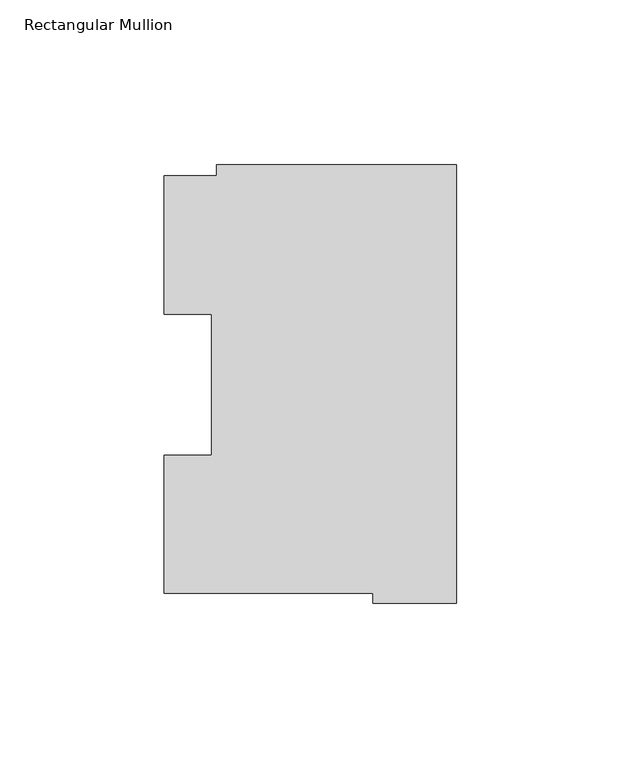
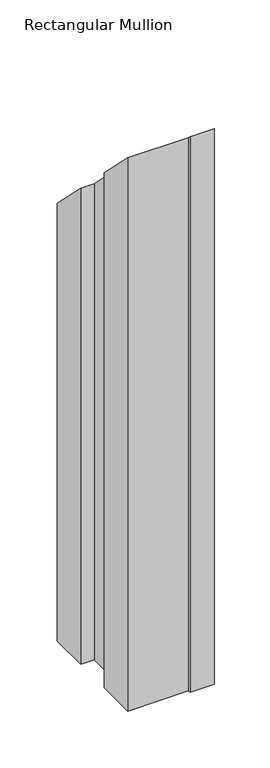
"""IFC4 building model written with IfcOpenShell, lengths in millimetres: member geometry, Rectangular Mullion."""

from ifc_helpers import new_model, si_unit, origin, place, context, project, spatial, faceted_brep, source, transform, mapped, element, save


def rectangular_mullion_603f1df1(model_context):
    return source(origin(), model_context, "Body", "Brep", [
        faceted_brep([(-73.025, 130.1270275, -609.6), (0.0, 130.1270275, -609.6), (0.0, -3.2371943, -609.6), (-25.3823253, -3.2371943, -609.6), (-25.3823253, -0.2913097, -609.6), (-88.8823253, -0.2913097, -609.6), (-88.8823253, 41.7837928, -609.6), (-74.4735473, 41.7837928, -609.6), (-74.4735473, 84.6335938, -609.6), (-88.8823253, 84.6335938, -609.6), (-88.8823253, 126.7086938, -609.6), (-73.025, 126.7086938, -609.6), (-73.025, 126.7086938, -126.7086938), (-73.025, 130.1270275, -130.1270275), (-88.8823253, 126.7086938, -126.7086938), (-88.8823253, 84.6335938, -84.6335938), (-74.4735473, 84.6335938, -84.6335938), (-74.4735473, 41.7837928, -41.7837928), (-88.8823253, 41.7837928, -41.7837928), (-88.8823253, -0.2913097, 0.2913097), (-25.3823253, -0.2913097, 0.2913097), (-25.3823253, -3.2371943, 3.2371943), (0.0, -3.2371943, 3.2371943), (0.0, 130.1270275, -130.1270275)], [[[0, 1, 2, 3, 4, 5, 6, 7, 8, 9, 10, 11]], [[12, 13, 0, 11]], [[14, 12, 11, 10]], [[15, 14, 10, 9]], [[16, 15, 9, 8]], [[17, 16, 8, 7]], [[18, 17, 7, 6]], [[19, 18, 6, 5]], [[20, 19, 5, 4]], [[21, 20, 4, 3]], [[22, 21, 3, 2]], [[23, 22, 2, 1]], [[13, 23, 1, 0]], [[13, 12, 14, 15, 16, 17, 18, 19, 20, 21, 22, 23]]]),
    ])


if __name__ == "__main__":
    model = new_model("IFC4")
    model_context = context("Model", 3, world=origin())
    ifc_project = project(units=[si_unit("LENGTHUNIT", "METRE", prefix="MILLI")], contexts=[model_context])
    site = spatial("IfcSite", under=ifc_project)
    building = spatial("IfcBuilding", under=site)
    placement = place(None, origin())
    rectangular_mullion_shape = rectangular_mullion_603f1df1(model_context)
    element("IfcMember", 1, ObjectType="Rectangular Mullion", at=placement, inside=building, context=model_context, shape_type="MappedRepresentation", body=[
        mapped(rectangular_mullion_shape, transform((0.0, 0.0, 0.0), x_axis=(1.0, 0.0, 0.0), y_axis=(0.0, 1.0, 0.0), z_axis=(0.0, 0.0, 1.0))),
    ])
    save(model, "model.ifc")
